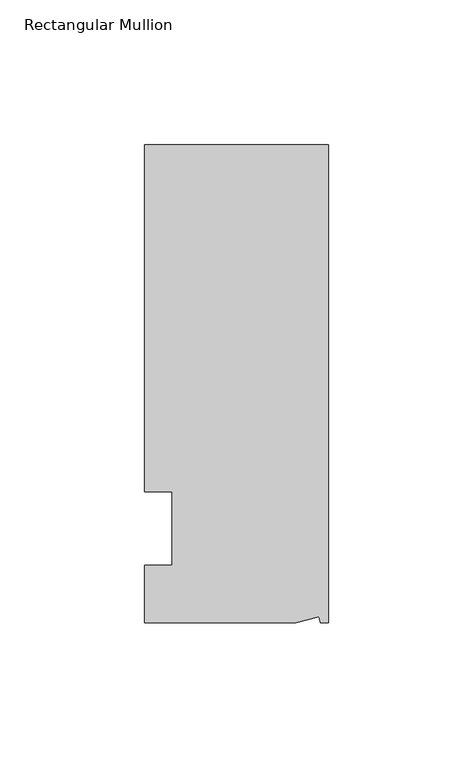
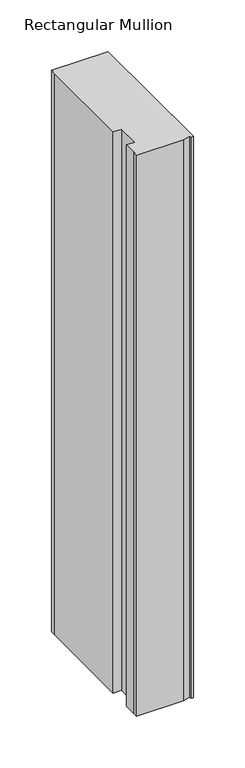
"""IFC4 building model written with IfcOpenShell, lengths in millimetres: member geometry, Rectangular Mullion."""

from ifc_helpers import new_model, si_unit, frame, origin, place, context, project, spatial, polyline, outline, extrude, source, transform, mapped, element, save


def rectangular_mullion_e21f3cbd(model_context):
    return source(origin(), model_context, "Body", "SweptSolid", [
        extrude(outline(polyline([(0.0, 132.5561012), (0.0, -32.5438988), (-2.7616541, -32.5438988), (-3.3341886, -30.4622958), (-11.121847, -32.5438988), (-63.5, -32.5438988), (-63.5, -26.1938988), (-63.5, -12.5945801), (-53.975, -12.5945801), (-53.975, 12.8054199), (-63.5, 12.8054199), (-63.5, 126.2061012), (-63.5, 132.5561012), (0.0, 132.5561012)])), frame((0.0, 0.0, -663.575), z_axis=(0.0, 0.0, 1.0), x_axis=(1.0, 0.0, 0.0)), (0.0, 0.0, 1.0), 663.575),
    ])


if __name__ == "__main__":
    model = new_model("IFC4")
    model_context = context("Model", 3, world=origin())
    ifc_project = project(units=[si_unit("LENGTHUNIT", "METRE", prefix="MILLI")], contexts=[model_context])
    site = spatial("IfcSite", under=ifc_project)
    building = spatial("IfcBuilding", under=site)
    placement = place(None, origin())
    rectangular_mullion_shape = rectangular_mullion_e21f3cbd(model_context)
    element("IfcMember", 1, ObjectType="Rectangular Mullion", at=placement, inside=building, context=model_context, shape_type="MappedRepresentation", body=[
        mapped(rectangular_mullion_shape, transform((0.0, 0.0, 0.0), x_axis=(1.0, 0.0, 0.0), y_axis=(0.0, 1.0, 0.0), z_axis=(0.0, 0.0, 1.0))),
    ])
    save(model, "model.ifc")
